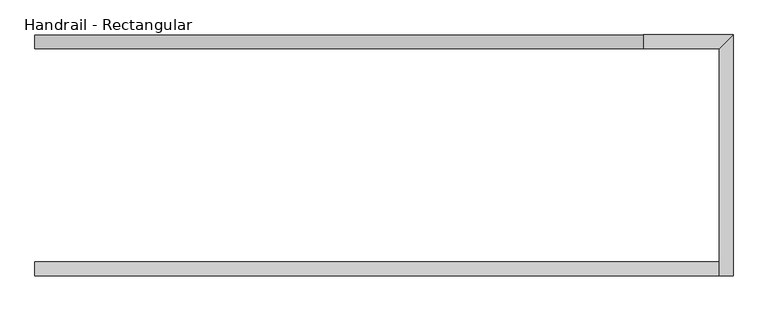
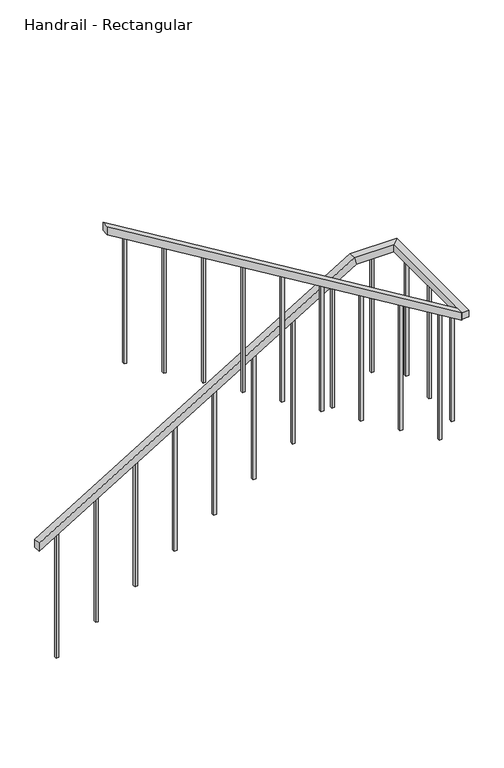
"""IFC4 building model written with IfcOpenShell, lengths in millimetres: railing geometry, Handrail - Rectangular."""

import ifcopenshell
import ifcopenshell.guid

model = None  # the IFC model being written
_history = None  # IfcOwnerHistory: only IFC2X3 demands one
_inside = {}  # id of a spatial element -> (the spatial element, [elements in it])
_under = {}  # id of a project, library or spatial element -> (it, [spatial elements below it])
_declared = {}  # id of a project -> (the project, [libraries it declares])
_typed = {}  # id of a type object -> (the type object, [elements of that type])
_made_of = {}  # id of a material, layer set ... -> (it, [elements and type objects made of it])


def new_model(schema):
    """Start an empty IFC model of exactly this schema.

    Asked for "IFC4X3", IfcOpenShell would pick the latest addendum, in which some entities
    have other attributes; the version numbers below select the first issue.
    IFC2X3 requires an IfcOwnerHistory on every rooted entity: one is made here for all.
    """
    global model, _history
    if schema == "IFC4X3":
        model = ifcopenshell.file(schema_version=(4, 3, 0, 0))
    else:
        model = ifcopenshell.file(schema=schema)
    _inside.clear()
    _under.clear()
    _declared.clear()
    _typed.clear()
    _made_of.clear()
    _history = None
    if model.schema == "IFC2X3":
        org = make("IfcOrganization", Name="unknown")
        user = make(
            "IfcPersonAndOrganization",
            ThePerson=make("IfcPerson", FamilyName="unknown"),
            TheOrganization=org,
        )
        app = make(
            "IfcApplication",
            ApplicationDeveloper=org,
            Version="unknown",
            ApplicationFullName="unknown",
            ApplicationIdentifier="unknown",
        )
        _history = make(
            "IfcOwnerHistory",
            OwningUser=user,
            OwningApplication=app,
            ChangeAction="ADDED",
            CreationDate=0,
        )
    return model


def make(cls, **values):
    """One entity of the class cls with the attributes given. An attribute that is None is left unset."""
    return model.create_entity(
        cls, **{name: value for name, value in values.items() if value is not None}
    )


def rooted(cls, **values):
    """An entity with a GlobalId (a new one), such as an element, a storey or a relation."""
    return make(cls, GlobalId=ifcopenshell.guid.new(), OwnerHistory=_history, **values)


def si_unit(unit_type, name, prefix=None):
    """IfcSIUnit, for example si_unit("LENGTHUNIT", "METRE", prefix="MILLI")."""
    return make("IfcSIUnit", UnitType=unit_type, Prefix=prefix, Name=name)


def assignment(units):
    """IfcUnitAssignment: the units of a project."""
    return None if units is None else make("IfcUnitAssignment", Units=units)


def point(xyz):
    """IfcCartesianPoint."""
    return None if xyz is None else make("IfcCartesianPoint", Coordinates=xyz)


def direction(xyz):
    """IfcDirection."""
    return None if xyz is None else make("IfcDirection", DirectionRatios=xyz)


def frame(location, z_axis=None, x_axis=None):
    """IfcAxis2Placement3D, a coordinate frame: its origin and axes. An axis left out is left unset."""
    return make(
        "IfcAxis2Placement3D",
        Location=point(location),
        Axis=direction(z_axis),
        RefDirection=direction(x_axis),
    )


def origin():
    """The frame at (0, 0, 0) with its axes left unset."""
    return frame((0.0, 0.0, 0.0))


def place(relative_to, where):
    """IfcLocalPlacement: puts the frame where relative to a parent placement (None: the world)."""
    return make(
        "IfcLocalPlacement", PlacementRelTo=relative_to, RelativePlacement=where
    )


def context(
    kind, dimensions, precision=None, world=None, true_north=None, identifier=None
):
    """IfcGeometricRepresentationContext, for example the 3D "Model" context."""
    return make(
        "IfcGeometricRepresentationContext",
        ContextIdentifier=identifier,
        ContextType=kind,
        CoordinateSpaceDimension=dimensions,
        Precision=precision,
        WorldCoordinateSystem=world,
        TrueNorth=true_north,
    )


def project(units=None, contexts=None):
    """IfcProject with its units and contexts."""
    return rooted(
        "IfcProject",
        Name="project",
        RepresentationContexts=contexts,
        UnitsInContext=assignment(units),
    )


def spatial(cls, under=None, at=None, **own):
    """A site, building, storey or space (cls), placed at a placement, below another one or the project."""
    s = rooted(cls, ObjectPlacement=at, **own)
    if under is not None:
        _under.setdefault(under.id(), (under, []))[1].append(s)
    return s


def polyline(points):
    """IfcPolyline through the points."""
    return make("IfcPolyline", Points=[point(p) for p in points])


def outline(outer, holes=None, kind="AREA"):
    """IfcArbitraryClosedProfileDef: a profile drawn as a closed curve; with holes, ...WithVoids."""
    if holes is None:
        return make("IfcArbitraryClosedProfileDef", ProfileType=kind, OuterCurve=outer)
    return make(
        "IfcArbitraryProfileDefWithVoids",
        ProfileType=kind,
        OuterCurve=outer,
        InnerCurves=holes,
    )


def extrude(swept, where, along, depth):
    """IfcExtrudedAreaSolid: the profile swept, set in the frame where, extruded along a direction by depth."""
    return make(
        "IfcExtrudedAreaSolid",
        SweptArea=swept,
        Position=where,
        ExtrudedDirection=direction(along),
        Depth=depth,
    )


def faces_of(points, faces, orient=None, outer=None):
    """IfcFace entities. A face is a list of loops; a loop is a list of indices into points, from 0.

    orient and outer hold one flag for each loop. By default every Orientation is true, the
    first loop of a face is its IfcFaceOuterBound and the others are IfcFaceBound.
    """
    made = []
    for i, loops in enumerate(faces):
        bounds = []
        for j, loop in enumerate(loops):
            is_outer = j == 0 if outer is None else outer[i][j]
            bounds.append(
                make(
                    "IfcFaceOuterBound" if is_outer else "IfcFaceBound",
                    Bound=make("IfcPolyLoop", Polygon=[points[k] for k in loop]),
                    Orientation=True if orient is None else orient[i][j],
                )
            )
        made.append(make("IfcFace", Bounds=bounds))
    return made


def faceted_brep(points, faces, orient=None, outer=None, voids=None):
    """IfcFacetedBrep: a solid bounded by flat faces; with voids (closed shells), ...WithVoids."""
    shared = [point(p) for p in points]
    hull = make("IfcClosedShell", CfsFaces=faces_of(shared, faces, orient, outer))
    if voids is None:
        return make("IfcFacetedBrep", Outer=hull)
    return make(
        "IfcFacetedBrepWithVoids",
        Outer=hull,
        Voids=[
            make(cls, CfsFaces=faces_of(shared, fs, o, b)) for cls, fs, o, b in voids
        ],
    )


def shape(context_of_items, identifier, shape_type, items):
    """IfcShapeRepresentation: the items that make up one representation, for example the "Body"."""
    return make(
        "IfcShapeRepresentation",
        ContextOfItems=context_of_items,
        RepresentationIdentifier=identifier,
        RepresentationType=shape_type,
        Items=items,
    )


def source(mapping_origin, context_of_items, identifier, shape_type, items):
    """IfcRepresentationMap: a shape defined once, which mapped items show again and again."""
    return make(
        "IfcRepresentationMap",
        MappingOrigin=mapping_origin,
        MappedRepresentation=shape(context_of_items, identifier, shape_type, items),
    )


def transform(
    local_origin,
    x_axis=None,
    y_axis=None,
    z_axis=None,
    scale=None,
    scale2=None,
    scale3=None,
    uniform=True,
):
    """IfcCartesianTransformationOperator3D, or its non-uniform kind. x_axis, y_axis, z_axis: its Axis1, 2, 3."""
    if uniform:
        return make(
            "IfcCartesianTransformationOperator3D",
            Axis1=direction(x_axis),
            Axis2=direction(y_axis),
            LocalOrigin=point(local_origin),
            Scale=scale,
            Axis3=direction(z_axis),
        )
    return make(
        "IfcCartesianTransformationOperator3DnonUniform",
        Axis1=direction(x_axis),
        Axis2=direction(y_axis),
        LocalOrigin=point(local_origin),
        Scale=scale,
        Axis3=direction(z_axis),
        Scale2=scale2,
        Scale3=scale3,
    )


def mapped(mapping_source, mapping_target):
    """IfcMappedItem: shows the shape of a source again, moved by a transform."""
    return make(
        "IfcMappedItem", MappingSource=mapping_source, MappingTarget=mapping_target
    )


def made_of(thing, what):
    """Note that an element or type object is made of a material, layer set ...; save() writes the relation."""
    if what is not None:
        _made_of.setdefault(what.id(), (what, []))[1].append(thing)
    return thing


def element(
    cls,
    number,
    at=None,
    inside=None,
    cuts=None,
    type_object=None,
    material=None,
    context=None,
    identifier="Body",
    shape_type=None,
    held_by="IfcProductDefinitionShape",
    body=None,
    shapes=None,
    **own,
):
    """One element of the class cls, such as IfcWall. Its Tag is "e" and its number.

    at: its placement. inside: the storey or other place that contains it. cuts: it is an
    opening in that element (IfcRelVoidsElement). A single representation is given by context,
    identifier, shape_type and body (its items); several are given by shapes. held_by: the class
    of the entity that holds the representations. save() writes the other relations.
    """
    e = rooted(cls, Tag="e%d" % number, ObjectPlacement=at, **own)
    if body is not None:
        shapes = [shape(context, identifier, shape_type, body)]
    if shapes is not None:
        e.Representation = make(held_by, Representations=shapes)
    if inside is not None:
        _inside.setdefault(inside.id(), (inside, []))[1].append(e)
    if cuts is not None:
        rooted(
            "IfcRelVoidsElement", RelatingBuildingElement=cuts, RelatedOpeningElement=e
        )
    if type_object is not None:
        _typed.setdefault(type_object.id(), (type_object, []))[1].append(e)
    return made_of(e, material)


def aggregate(whole, parts):
    """IfcRelAggregates: a whole, such as a stair, and the parts it consists of."""
    return rooted("IfcRelAggregates", RelatingObject=whole, RelatedObjects=parts)


def save(model, path):
    """Write the relations noted so far, then the file.

    IfcRelAggregates (storeys below a building ...), IfcRelContainedInSpatialStructure (elements
    in a storey), IfcRelDefinesByType, IfcRelAssociatesMaterial and IfcRelDeclares: one each for
    every whole, place, type object, material and project.
    """
    for whole, parts in _under.values():
        aggregate(whole, parts)
    for where, things in _inside.values():
        rooted(
            "IfcRelContainedInSpatialStructure",
            RelatedElements=things,
            RelatingStructure=where,
        )
    for kind, things in _typed.values():
        rooted("IfcRelDefinesByType", RelatedObjects=things, RelatingType=kind)
    for what, things in _made_of.values():
        rooted("IfcRelAssociatesMaterial", RelatedObjects=things, RelatingMaterial=what)
    for by, libraries in _declared.values():
        rooted("IfcRelDeclares", RelatingContext=by, RelatedDefinitions=libraries)
    model.write(path)


def handrail_rectangular_9f583469(model_context):
    return source(origin(), model_context, "Body", "SolidModel", [
        faceted_brep([(-7585.9198241, 1649.8640045, 1083.7333333), (-7585.9198241, 1649.8640045, 1024.3318731), (-7585.9198241, 1599.0640045, 1024.3318731), (-7585.9198241, 1599.0640045, 1083.7333333), (-5350.7198241, 1649.8640045, 2438.4), (-5336.5274146, 1649.8640045, 2387.6), (-5336.5274146, 1599.0640045, 2387.6), (-5350.7198241, 1599.0640045, 2438.4), (-5020.5198241, 1649.8640045, 2438.4), (-5020.5198241, 1649.8640045, 2387.6), (-5071.3198241, 1599.0640045, 2387.6), (-5071.3198241, 1599.0640045, 2438.4), (-5020.5198241, 763.6133529, 2438.4), (-5071.3198241, 763.6133529, 2438.4), (-5071.3198241, 763.6133529, 2387.6), (-5020.5198241, 763.6133529, 2387.6)], [[[0, 1, 2, 3]], [[1, 0, 4, 5]], [[2, 1, 5, 6]], [[3, 2, 6, 7]], [[0, 3, 7, 4]], [[5, 4, 8, 9]], [[6, 5, 9, 10]], [[7, 6, 10, 11]], [[4, 7, 11, 8]], [[12, 13, 14, 15]], [[9, 8, 12, 15]], [[10, 9, 15, 14]], [[11, 10, 14, 13]], [[8, 11, 13, 12]]]),
        faceted_brep([(-5071.3198241, 763.6133529, 2438.4), (-5071.3198241, 763.6133529, 2378.9985397), (-5071.3198241, 814.4133529, 2378.9985397), (-5071.3198241, 814.4133529, 2438.4), (-7585.9198241, 763.6133529, 3962.4), (-7585.9198241, 814.4133529, 3962.4), (-7585.9198241, 814.4133529, 3902.9985397), (-7585.9198241, 763.6133529, 3902.9985397)], [[[0, 1, 2, 3]], [[4, 5, 6, 7]], [[1, 0, 4, 7]], [[2, 1, 7, 6]], [[3, 2, 6, 5]], [[0, 3, 5, 4]]]),
        extrude(outline(polyline([(3824.1046004, -7455.7448241), (2878.6666667, -7455.7448241), (2878.6666667, -7436.6948241), (3812.5591458, -7436.6948241), (3824.1046004, -7455.7448241)])), frame((0.0, 779.4883529, 0.0), z_axis=(0.0, 1.0, 0.0), x_axis=(0.0, 0.0, 1.0)), (0.0, 0.0, 1.0), 19.05),
        extrude(outline(polyline([(3654.771267, -7176.3448241), (2709.3333333, -7176.3448241), (2709.3333333, -7157.2948241), (3643.2258125, -7157.2948241), (3654.771267, -7176.3448241)])), frame((0.0, 779.4883529, 0.0), z_axis=(0.0, 1.0, 0.0), x_axis=(0.0, 0.0, 1.0)), (0.0, 0.0, 1.0), 19.05),
        extrude(outline(polyline([(3485.4379337, -6896.9448241), (2540.0, -6896.9448241), (2540.0, -6877.8948241), (3473.8924791, -6877.8948241), (3485.4379337, -6896.9448241)])), frame((0.0, 779.4883529, 0.0), z_axis=(0.0, 1.0, 0.0), x_axis=(0.0, 0.0, 1.0)), (0.0, 0.0, 1.0), 19.05),
        extrude(outline(polyline([(3316.1046004, -6617.5448241), (2370.6666667, -6617.5448241), (2370.6666667, -6598.4948241), (3304.5591458, -6598.4948241), (3316.1046004, -6617.5448241)])), frame((0.0, 779.4883529, 0.0), z_axis=(0.0, 1.0, 0.0), x_axis=(0.0, 0.0, 1.0)), (0.0, 0.0, 1.0), 19.05),
        extrude(outline(polyline([(3146.771267, -6338.1448241), (2201.3333333, -6338.1448241), (2201.3333333, -6319.0948241), (3135.2258125, -6319.0948241), (3146.771267, -6338.1448241)])), frame((0.0, 779.4883529, 0.0), z_axis=(0.0, 1.0, 0.0), x_axis=(0.0, 0.0, 1.0)), (0.0, 0.0, 1.0), 19.05),
        extrude(outline(polyline([(2977.4379337, -6058.7448241), (2032.0, -6058.7448241), (2032.0, -6039.6948241), (2965.8924791, -6039.6948241), (2977.4379337, -6058.7448241)])), frame((0.0, 779.4883529, 0.0), z_axis=(0.0, 1.0, 0.0), x_axis=(0.0, 0.0, 1.0)), (0.0, 0.0, 1.0), 19.05),
        extrude(outline(polyline([(2808.1046004, -5779.3448241), (1862.6666667, -5779.3448241), (1862.6666667, -5760.2948241), (2796.5591458, -5760.2948241), (2808.1046004, -5779.3448241)])), frame((0.0, 779.4883529, 0.0), z_axis=(0.0, 1.0, 0.0), x_axis=(0.0, 0.0, 1.0)), (0.0, 0.0, 1.0), 19.05),
        extrude(outline(polyline([(2638.771267, -5499.9448241), (1693.3333333, -5499.9448241), (1693.3333333, -5480.8948241), (2627.2258125, -5480.8948241), (2638.771267, -5499.9448241)])), frame((0.0, 779.4883529, 0.0), z_axis=(0.0, 1.0, 0.0), x_axis=(0.0, 0.0, 1.0)), (0.0, 0.0, 1.0), 19.05),
        extrude(outline(polyline([(2469.4379337, -5220.5448241), (1524.0, -5220.5448241), (1524.0, -5201.4948241), (2457.8924791, -5201.4948241), (2469.4379337, -5220.5448241)])), frame((0.0, 779.4883529, 0.0), z_axis=(0.0, 1.0, 0.0), x_axis=(0.0, 0.0, 1.0)), (0.0, 0.0, 1.0), 19.05),
        extrude(outline(polyline([(-5036.3948241, 935.4890045), (-5036.3948241, 916.4390045), (-5055.4448241, 916.4390045), (-5055.4448241, 935.4890045), (-5036.3948241, 935.4890045)])), frame((0.0, 0.0, 1524.0), z_axis=(0.0, 0.0, 1.0), x_axis=(1.0, 0.0, 0.0)), (0.0, 0.0, 1.0), 863.6),
        extrude(outline(polyline([(-5036.3948241, 1214.8890045), (-5036.3948241, 1195.8390045), (-5055.4448241, 1195.8390045), (-5055.4448241, 1214.8890045), (-5036.3948241, 1214.8890045)])), frame((0.0, 0.0, 1524.0), z_axis=(0.0, 0.0, 1.0), x_axis=(1.0, 0.0, 0.0)), (0.0, 0.0, 1.0), 863.6),
        extrude(outline(polyline([(-5036.3948241, 1494.2890045), (-5036.3948241, 1475.2390045), (-5055.4448241, 1475.2390045), (-5055.4448241, 1494.2890045), (-5036.3948241, 1494.2890045)])), frame((0.0, 0.0, 1524.0), z_axis=(0.0, 0.0, 1.0), x_axis=(1.0, 0.0, 0.0)), (0.0, 0.0, 1.0), 863.6),
        extrude(outline(polyline([(-5220.5448241, 1633.9890045), (-5201.4948241, 1633.9890045), (-5201.4948241, 1614.9390045), (-5220.5448241, 1614.9390045), (-5220.5448241, 1633.9890045)])), frame((0.0, 0.0, 1524.0), z_axis=(0.0, 0.0, 1.0), x_axis=(1.0, 0.0, 0.0)), (0.0, 0.0, 1.0), 863.6),
        extrude(outline(polyline([(2288.5591458, -5499.9448241), (1354.6666667, -5499.9448241), (1354.6666667, -5480.8948241), (2300.1046004, -5480.8948241), (2288.5591458, -5499.9448241)])), frame((0.0, 1614.9390045, 0.0), z_axis=(0.0, 1.0, 0.0), x_axis=(0.0, 0.0, 1.0)), (0.0, 0.0, 1.0), 19.05),
        extrude(outline(polyline([(2119.2258125, -5779.3448241), (1185.3333333, -5779.3448241), (1185.3333333, -5760.2948241), (2130.771267, -5760.2948241), (2119.2258125, -5779.3448241)])), frame((0.0, 1614.9390045, 0.0), z_axis=(0.0, 1.0, 0.0), x_axis=(0.0, 0.0, 1.0)), (0.0, 0.0, 1.0), 19.05),
        extrude(outline(polyline([(1949.8924791, -6058.7448241), (1016.0, -6058.7448241), (1016.0, -6039.6948241), (1961.4379337, -6039.6948241), (1949.8924791, -6058.7448241)])), frame((0.0, 1614.9390045, 0.0), z_axis=(0.0, 1.0, 0.0), x_axis=(0.0, 0.0, 1.0)), (0.0, 0.0, 1.0), 19.05),
        extrude(outline(polyline([(1780.5591458, -6338.1448241), (846.6666667, -6338.1448241), (846.6666667, -6319.0948241), (1792.1046004, -6319.0948241), (1780.5591458, -6338.1448241)])), frame((0.0, 1614.9390045, 0.0), z_axis=(0.0, 1.0, 0.0), x_axis=(0.0, 0.0, 1.0)), (0.0, 0.0, 1.0), 19.05),
        extrude(outline(polyline([(1611.2258125, -6617.5448241), (677.3333333, -6617.5448241), (677.3333333, -6598.4948241), (1622.771267, -6598.4948241), (1611.2258125, -6617.5448241)])), frame((0.0, 1614.9390045, 0.0), z_axis=(0.0, 1.0, 0.0), x_axis=(0.0, 0.0, 1.0)), (0.0, 0.0, 1.0), 19.05),
        extrude(outline(polyline([(1441.8924791, -6896.9448241), (508.0, -6896.9448241), (508.0, -6877.8948241), (1453.4379337, -6877.8948241), (1441.8924791, -6896.9448241)])), frame((0.0, 1614.9390045, 0.0), z_axis=(0.0, 1.0, 0.0), x_axis=(0.0, 0.0, 1.0)), (0.0, 0.0, 1.0), 19.05),
        extrude(outline(polyline([(1272.5591458, -7176.3448241), (338.6666667, -7176.3448241), (338.6666667, -7157.2948241), (1284.1046004, -7157.2948241), (1272.5591458, -7176.3448241)])), frame((0.0, 1614.9390045, 0.0), z_axis=(0.0, 1.0, 0.0), x_axis=(0.0, 0.0, 1.0)), (0.0, 0.0, 1.0), 19.05),
        extrude(outline(polyline([(1103.2258125, -7455.7448241), (169.3333333, -7455.7448241), (169.3333333, -7436.6948241), (1114.771267, -7436.6948241), (1103.2258125, -7455.7448241)])), frame((0.0, 1614.9390045, 0.0), z_axis=(0.0, 1.0, 0.0), x_axis=(0.0, 0.0, 1.0)), (0.0, 0.0, 1.0), 19.05),
    ])


if __name__ == "__main__":
    model = new_model("IFC4")
    model_context = context("Model", 3, world=origin())
    ifc_project = project(units=[si_unit("LENGTHUNIT", "METRE", prefix="MILLI")], contexts=[model_context])
    site = spatial("IfcSite", under=ifc_project)
    building = spatial("IfcBuilding", under=site)
    placement = place(None, origin())
    handrail_rectangular_shape = handrail_rectangular_9f583469(model_context)
    element("IfcRailing", 1, ObjectType="Handrail - Rectangular", at=placement, inside=building, context=model_context, shape_type="MappedRepresentation", body=[
        mapped(handrail_rectangular_shape, transform((0.0, 0.0, 0.0), x_axis=(1.0, 0.0, 0.0), y_axis=(0.0, 1.0, 0.0), z_axis=(0.0, 0.0, 1.0))),
    ])
    save(model, "model.ifc")
